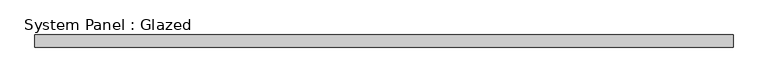
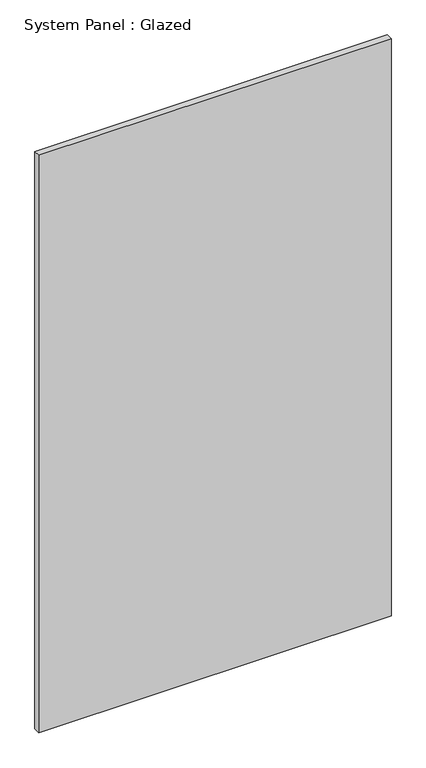
"""IFC4 building model written with IfcOpenShell, lengths in millimetres: plate geometry, System Panel : Glazed."""

from ifc_helpers import new_model, si_unit, origin, origin_with_axes, place, context, project, spatial, polyline, outline, extrude, source, transform, mapped, element, save


def system_panel_glazed_6e58dd13(model_context):
    return source(origin(), model_context, "Body", "SweptSolid", [
        extrude(outline(polyline([(695.3333333, -49.5), (-695.3333333, -49.5), (-695.3333333, -24.5), (695.3333333, -24.5), (695.3333333, -49.5)])), origin_with_axes(), (0.0, 0.0, 1.0), 2410.0),
    ])


if __name__ == "__main__":
    model = new_model("IFC4")
    model_context = context("Model", 3, world=origin())
    ifc_project = project(units=[si_unit("LENGTHUNIT", "METRE", prefix="MILLI")], contexts=[model_context])
    site = spatial("IfcSite", under=ifc_project)
    building = spatial("IfcBuilding", under=site)
    placement = place(None, origin())
    system_panel_glazed_shape = system_panel_glazed_6e58dd13(model_context)
    element("IfcPlate", 1, ObjectType="System Panel : Glazed", at=placement, inside=building, context=model_context, shape_type="MappedRepresentation", body=[
        mapped(system_panel_glazed_shape, transform((0.0, 0.0, 0.0), x_axis=(1.0, 0.0, 0.0), y_axis=(0.0, 1.0, 0.0), z_axis=(0.0, 0.0, 1.0))),
    ])
    save(model, "model.ifc")
